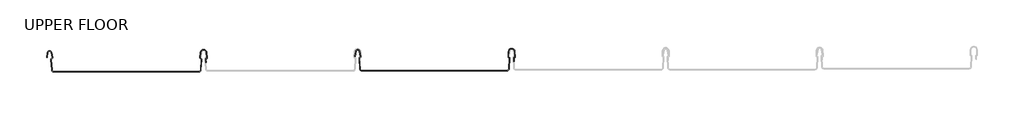
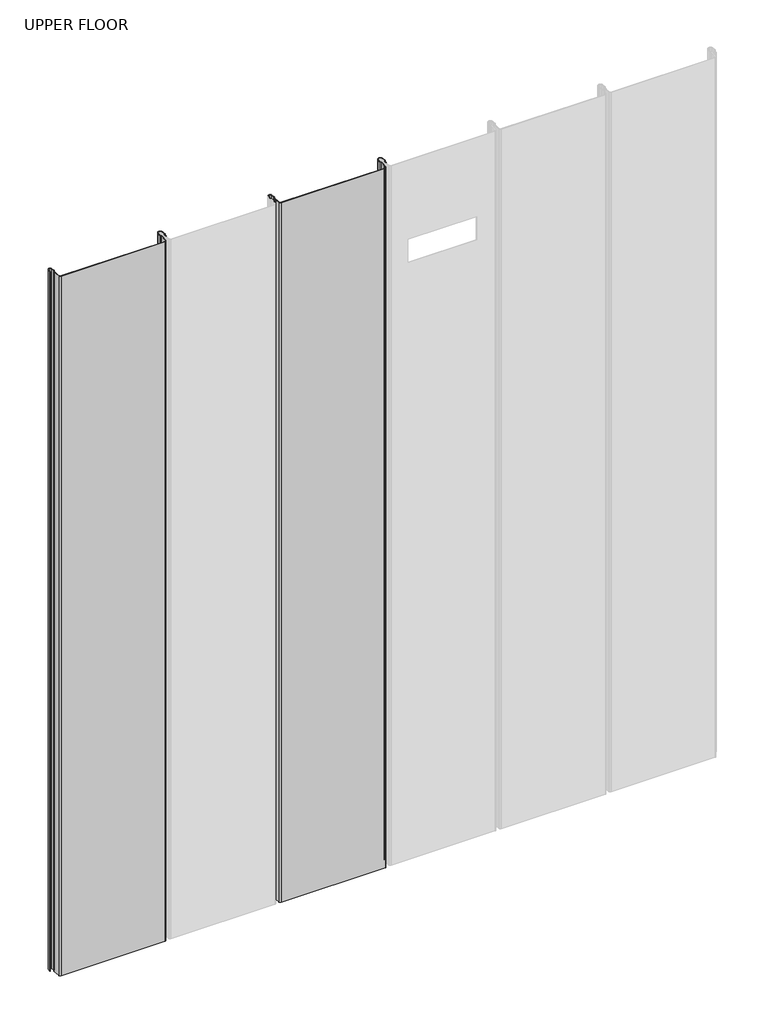
# One storey, part 1 of 3: 2 beams.
"""IFC4 building model written with IfcOpenShell, lengths in millimetres."""

from ifc_helpers import new_model, si_unit, frame, origin, place, context, project, spatial, polyline, circle_curve, element, save
from ifc_brep_helpers import plane_surface, cylinder_surface, revolved_surface, advanced_brep

model = new_model("IFC4")

# Units and contexts
model_context = context("Model", 3, world=origin())
ifc_project = project(units=[si_unit("LENGTHUNIT", "METRE", prefix="MILLI")], contexts=[model_context])

# Site, building, storey
site = spatial("IfcSite", under=ifc_project)
building = spatial("IfcBuilding", under=site)
storey = spatial("IfcBuildingStorey", under=building, Name="UPPER FLOOR", Elevation=2700.0)

# Beams
placement = place(None, origin())
element("IfcBeam", 1, at=placement, inside=storey, context=model_context, shape_type="AdvancedBrep", body=[
    advanced_brep(
    [(6197.7002911, 566.8410255, -2290.7143486), (6202.2343164, 570.6166043, -2290.7143486), (6206.7411309, 566.9772804, -2290.7143486), (6209.1881304, 555.6183435, -2290.7143486), (6207.529471, 553.1639441, -2290.7143486), (6206.3603062, 551.4529039, -2290.7143486), (6207.8508278, 528.0432129, -2290.7143486), (6211.5452795, 524.5783205, -2290.7143486), (6531.7942323, 524.5783205, -2290.7143486), (6535.4870097, 528.0472462, -2290.7143486), (6536.9565129, 551.5312459, -2290.7143486), (6536.3285853, 552.4646638, -2290.7143486), (6534.1169474, 555.5304554, -2290.7143486), (6535.0004862, 566.7069584, -2290.7143486), (6542.2301381, 573.3876384, -2290.7143486), (6549.4597901, 566.7069584, -2290.7143486), (6550.3433289, 555.5304554, -2290.7143486), (6548.131691, 552.4646638, -2290.7143486), (6547.5037634, 551.5312459, -2290.7143486), (6547.8954778, 545.2712922, -2290.7143486), (6546.8935219, 545.2712922, -2290.7143486), (6546.4861131, 551.7820555, -2290.7143486), (6547.8915291, 553.4355176, -2290.7143486), (6549.3459497, 555.451648, -2290.7143486), (6548.4562593, 566.7059678, -2290.7143486), (6542.2301381, 572.3876384, -2290.7143486), (6535.9972821, 566.6269616, -2290.7143486), (6535.1096834, 555.3717606, -2290.7143486), (6536.5687472, 553.4355176, -2290.7143486), (6537.9741631, 551.7820555, -2290.7143486), (6536.4850576, 527.9847937, -2290.7143486), (6531.7942323, 523.5783205, -2290.7143486), (6211.5455246, 523.5783205, -2290.7143486), (6206.8528487, 527.9796704, -2290.7143486), (6205.3621142, 551.3927056, -2290.7143486), (6207.265695, 554.129318, -2290.7143486), (6208.2023383, 555.4458683, -2290.7143486), (6205.7866532, 566.6502015, -2290.7143486), (6202.2238075, 569.61759, -2290.7143486), (6198.7498133, 567.0218997, -2290.7143486), (6196.7225624, 555.9139092, -2290.7143486), (6195.7227025, 556.0979639, -2290.7143486), (6549.3459497, 555.451648, -10.7143486), (6548.4562593, 566.7059678, -10.7143486), (6547.8954778, 545.2712922, -10.7143486), (6546.8935219, 545.2712922, -10.7143486), (6196.7225624, 555.9139092, -10.7143486), (6195.7227025, 556.0979639, -10.7143486), (6197.7002911, 566.8410255, -10.7143486), (6198.7498133, 567.0218997, -10.7143486), (6202.2238075, 569.61759, -10.7143486), (6205.7866532, 566.6502015, -10.7143486), (6208.2023383, 555.4458683, -10.7143486), (6207.265695, 554.129318, -10.7143486), (6205.3621142, 551.3927056, -10.7143486), (6206.8528487, 527.9796704, -10.7143486), (6211.5455246, 523.5783205, -10.7143486), (6531.7942323, 523.5783205, -10.7143486), (6536.4850576, 527.9847937, -10.7143486), (6537.9741631, 551.7820555, -10.7143486), (6536.5687472, 553.4355176, -10.7143486), (6535.1096834, 555.3717606, -10.7143486), (6535.9972821, 566.6269616, -10.7143486), (6542.2301381, 572.3876384, -10.7143486), (6547.8915291, 553.4355176, -10.7143486), (6546.4861131, 551.7820555, -10.7143486), (6547.5037634, 551.5312459, -10.7143486), (6548.131691, 552.4646638, -10.7143486), (6550.3367402, 555.6138004, -10.7143486), (6549.4597901, 566.7069584, -10.7143486), (6542.2301381, 573.3876384, -10.7143486), (6535.0004862, 566.7069584, -10.7143486), (6534.1169474, 555.5304554, -10.7143486), (6536.3285853, 552.4646638, -10.7143486), (6536.9565129, 551.5312459, -10.7143486), (6535.4870097, 528.0472462, -10.7143486), (6531.7942323, 524.5783205, -10.7143486), (6211.5452795, 524.5783205, -10.7143486), (6207.8508278, 528.0432129, -10.7143486), (6206.3603062, 551.4529039, -10.7143486), (6207.529471, 553.1639441, -10.7143486), (6209.1881304, 555.6183435, -10.7143486), (6206.7411309, 566.9772804, -10.7143486), (6202.2343164, 570.6166043, -10.7143486)],
    [
        (0, 1, circle_curve(frame((6202.2343164, 566.0063997, -2290.7143486), z_axis=(0.0, 0.0, -1.0), x_axis=(-1.0000000000000002, 0.0, 0.0)), 4.6102046)),
        (1, 2, circle_curve(frame((6202.2343164, 566.0063997, -2290.7143486), z_axis=(0.0, 0.0, -1.0), x_axis=(-0.21059384440200676, 0.9775736456656264, 0.0)), 4.6102046)),
        (2, 3),
        (3, 4, circle_curve(frame((6206.803938, 555.441905, -2290.7143486), z_axis=(0.0, 0.0, -1.0), x_axis=(0.9528378408797891, 0.30347989881957954, 0.0)), 2.3907121)),
        (4, 5, circle_curve(frame((6208.0403687, 551.5598754, -2290.7143486), z_axis=(0.0, 0.0, 1.0), x_axis=(-0.06354246328301918, 0.9979791357337721, 0.0)), 1.6834645)),
        (5, 6),
        (6, 7, circle_curve(frame((6211.5433506, 528.27832, -2290.7143486), z_axis=(0.0, 0.0, 1.0), x_axis=(-0.9999998641088235, -0.0005213274739309239, 0.0)), 3.7)),
        (7, 8),
        (8, 9, circle_curve(frame((6531.7942323, 528.2783205, -2290.7143486), z_axis=(0.0, 0.0, 1.0), x_axis=(-0.06245250868722483, -0.9980479368039756, 0.0)), 3.7)),
        (9, 10),
        (10, 11, circle_curve(frame((6536.034543, 551.5889378, -2290.7143486), z_axis=(0.0, 0.0, 1.0), x_axis=(0.9479881328261022, -0.3183056707331505, 0.0)), 0.9237732)),
        (11, 12, circle_curve(frame((6537.0286076, 555.3002792, -2290.7143486), z_axis=(0.0, 0.0, -1.0), x_axis=(-0.07880737243916829, -0.9968898625471295, 0.0)), 2.9207441)),
        (12, 13),
        (13, 14, circle_curve(frame((6542.2301381, 566.135431, -2290.7143486), z_axis=(0.0, 0.0, -1.0), x_axis=(-1.0000000000000002, 0.0, 0.0)), 7.2522073)),
        (14, 15, circle_curve(frame((6542.2301381, 566.135431, -2290.7143486), z_axis=(0.0, 0.0, -1.0), x_axis=(-0.07880737243912266, 0.9968898625471331, 0.0)), 7.2522073)),
        (15, 16),
        (16, 17, circle_curve(frame((6547.4302471, 555.3023845, -2290.7143486), z_axis=(0.0, 0.0, -1.0), x_axis=(0.9707819351134734, 0.239963402329064, 0.0)), 2.9231288)),
        (17, 18, circle_curve(frame((6548.3326853, 551.6515329, -2290.7143486), z_axis=(0.0, 0.0, 1.0), x_axis=(-0.14360843272178023, 0.9896345881441262, 0.0)), 0.8376041)),
        (18, 19),
        (19, 20, circle_curve(frame((6547.3944999, 545.2712922, -2290.7143486), z_axis=(0.0, 0.0, -1.0), x_axis=(0.0, -1.0000000000000002, 0.0)), 0.5009779)),
        (20, 21),
        (21, 22, circle_curve(frame((6548.3364293, 551.6333382, -2290.7143486), z_axis=(0.0, 0.0, -1.0), x_axis=(-0.9708537722163971, -0.2396725953737565, 0.0)), 1.856283)),
        (22, 23, circle_curve(frame((6547.4311794, 555.3002792, -2290.7143486), z_axis=(0.0, 0.0, 1.0), x_axis=(0.07880737243914217, -0.9968898625471315, 0.0)), 1.9207441)),
        (23, 24),
        (24, 25, circle_curve(frame((6542.3071876, 566.2198638, -2290.7143486), z_axis=(0.0, 0.0, 1.0), x_axis=(0.999921980842138, 0.012491286112137758, 0.0)), 6.1682558)),
        (25, 26, circle_curve(frame((6542.3093125, 566.0497671, -2290.7143486), z_axis=(0.0, 0.0, 1.0), x_axis=(0.09106361391822018, 0.9958450774192509, 0.0)), 6.3383658)),
        (26, 27),
        (27, 28, circle_curve(frame((6536.9331281, 555.2279616, -2290.7143486), z_axis=(0.0, 0.0, 1.0), x_axis=(-0.9799562955839812, 0.19921259685401757, 0.0)), 1.8291061)),
        (28, 29, circle_curve(frame((6536.2187929, 551.7140407, -2290.7143486), z_axis=(0.0, 0.0, -1.0), x_axis=(-0.03871763325448475, 0.9992501913310659, 0.0)), 1.7566874)),
        (29, 30),
        (30, 31, circle_curve(frame((6531.7942323, 528.2783205, -2290.7143486), z_axis=(0.0, 0.0, -1.0), x_axis=(1.0000000000000002, 0.0, 0.0)), 4.7)),
        (31, 32),
        (32, 33, circle_curve(frame((6211.5455246, 528.2806379, -2290.7143486), z_axis=(0.0, 0.0, -1.0), x_axis=(0.0640040759428298, -0.9979496371374184, 0.0)), 4.7023174)),
        (33, 34),
        (34, 35, circle_curve(frame((6208.036226, 551.5629693, -2290.7143486), z_axis=(0.0, 0.0, -1.0), x_axis=(-0.9577619201002142, -0.2875623487279782, 0.0)), 2.6795268)),
        (35, 36, circle_curve(frame((6207.1328522, 555.2152841, -2290.7143486), z_axis=(0.0, 0.0, 1.0), x_axis=(0.21075985505235648, -0.9775378680635908, 0.0)), 1.094061)),
        (36, 37),
        (37, 38, circle_curve(frame((6202.2238075, 565.995, -2290.7143486), z_axis=(0.0, 0.0, 1.0), x_axis=(1.0000000000000002, 0.0, 0.0)), 3.6225901)),
        (38, 39, circle_curve(frame((6202.2238075, 565.995, -2290.7143486), z_axis=(0.0, 0.0, 1.0), x_axis=(0.2834711363957499, 0.9589807687490415, 0.0)), 3.6225901)),
        (39, 40),
        (40, 41, circle_curve(frame((6196.2226325, 556.0059365, -2290.7143486), z_axis=(0.0, 0.0, -1.0), x_axis=(-0.18103878268247514, -0.9834759575937013, 0.0)), 0.5083296)),
        (41, 0),
        (42, 43),
        (43, 24),
        (23, 42),
        (44, 45, circle_curve(frame((6547.3944999, 545.2712922, -10.7143486), z_axis=(0.0, 0.0, -1.0), x_axis=(0.0, -1.0000000000000002, 0.0)), 0.5009779)),
        (45, 20),
        (19, 44),
        (46, 47, circle_curve(frame((6196.2226325, 556.0059365, -10.7143486), z_axis=(0.0, 0.0, -1.0), x_axis=(-0.18103878268247514, -0.9834759575937013, 0.0)), 0.5083296)),
        (47, 41),
        (40, 46),
        (48, 47),
        (46, 49),
        (49, 50, circle_curve(frame((6202.2238075, 565.995, -10.7143486), z_axis=(0.0, 0.0, -1.0), x_axis=(0.2834711363957499, 0.9589807687490415, 0.0)), 3.6225901)),
        (50, 51, circle_curve(frame((6202.2238075, 565.995, -10.7143486), z_axis=(0.0, 0.0, -1.0), x_axis=(1.0000000000000002, 0.0, 0.0)), 3.6225901)),
        (51, 52),
        (52, 53, circle_curve(frame((6207.1328522, 555.2152841, -10.7143486), z_axis=(0.0, 0.0, -1.0), x_axis=(0.21075985505235648, -0.9775378680635908, 0.0)), 1.094061)),
        (53, 54, circle_curve(frame((6208.036226, 551.5629693, -10.7143486), z_axis=(0.0, 0.0, 1.0), x_axis=(-0.9577619201002142, -0.2875623487279782, 0.0)), 2.6795268)),
        (54, 55),
        (55, 56, circle_curve(frame((6211.5455246, 528.2806379, -10.7143486), z_axis=(0.0, 0.0, 1.0), x_axis=(0.0640040759428298, -0.9979496371374184, 0.0)), 4.7023174)),
        (56, 57),
        (57, 58, circle_curve(frame((6531.7942323, 528.2783205, -10.7143486), z_axis=(0.0, 0.0, 1.0), x_axis=(1.0000000000000002, 0.0, 0.0)), 4.7)),
        (58, 59),
        (59, 60, circle_curve(frame((6536.2187929, 551.7140407, -10.7143486), z_axis=(0.0, 0.0, 1.0), x_axis=(-0.03871763325448475, 0.9992501913310659, 0.0)), 1.7566874)),
        (60, 61, circle_curve(frame((6536.9331281, 555.2279616, -10.7143486), z_axis=(0.0, 0.0, -1.0), x_axis=(-0.9799562955839812, 0.19921259685401757, 0.0)), 1.8291061)),
        (61, 62),
        (62, 63, circle_curve(frame((6542.3093125, 566.0497671, -10.7143486), z_axis=(0.0, 0.0, -1.0), x_axis=(0.09106361391822018, 0.9958450774192509, 0.0)), 6.3383658)),
        (63, 43, circle_curve(frame((6542.3071876, 566.2198638, -10.7143486), z_axis=(0.0, 0.0, -1.0), x_axis=(0.999921980842138, 0.012491286112137758, 0.0)), 6.1682558)),
        (42, 64, circle_curve(frame((6547.4311794, 555.3002792, -10.7143486), z_axis=(0.0, 0.0, -1.0), x_axis=(0.07880737243914217, -0.9968898625471315, 0.0)), 1.9207441)),
        (64, 65, circle_curve(frame((6548.3364293, 551.6333382, -10.7143486), z_axis=(0.0, 0.0, 1.0), x_axis=(-0.9708537722163971, -0.2396725953737565, 0.0)), 1.856283)),
        (65, 45),
        (44, 66),
        (66, 67, circle_curve(frame((6548.3326853, 551.6515329, -10.7143486), z_axis=(0.0, 0.0, -1.0), x_axis=(-0.14360843272178023, 0.9896345881441262, 0.0)), 0.8376041)),
        (67, 68, circle_curve(frame((6547.4302471, 555.3023845, -10.7143486), z_axis=(0.0, 0.0, 1.0), x_axis=(0.9707819351134734, 0.239963402329064, 0.0)), 2.9231288)),
        (68, 69),
        (69, 70, circle_curve(frame((6542.2301381, 566.135431, -10.7143486), z_axis=(0.0, 0.0, 1.0), x_axis=(-0.07880737243912266, 0.9968898625471331, 0.0)), 7.2522073)),
        (70, 71, circle_curve(frame((6542.2301381, 566.135431, -10.7143486), z_axis=(0.0, 0.0, 1.0), x_axis=(-1.0000000000000002, 0.0, 0.0)), 7.2522073)),
        (71, 72),
        (72, 73, circle_curve(frame((6537.0286076, 555.3002792, -10.7143486), z_axis=(0.0, 0.0, 1.0), x_axis=(-0.07880737243916829, -0.9968898625471295, 0.0)), 2.9207441)),
        (73, 74, circle_curve(frame((6536.034543, 551.5889378, -10.7143486), z_axis=(0.0, 0.0, -1.0), x_axis=(0.9479881328261022, -0.3183056707331505, 0.0)), 0.9237732)),
        (74, 75),
        (75, 76, circle_curve(frame((6531.7942323, 528.2783205, -10.7143486), z_axis=(0.0, 0.0, -1.0), x_axis=(-0.06245250868722483, -0.9980479368039756, 0.0)), 3.7)),
        (76, 77),
        (77, 78, circle_curve(frame((6211.5433506, 528.27832, -10.7143486), z_axis=(0.0, 0.0, -1.0), x_axis=(-0.9999998641088235, -0.0005213274739309239, 0.0)), 3.7)),
        (78, 79),
        (79, 80, circle_curve(frame((6208.0403687, 551.5598754, -10.7143486), z_axis=(0.0, 0.0, -1.0), x_axis=(-0.06354246328301918, 0.9979791357337721, 0.0)), 1.6834645)),
        (80, 81, circle_curve(frame((6206.803938, 555.441905, -10.7143486), z_axis=(0.0, 0.0, 1.0), x_axis=(0.9528378408797891, 0.30347989881957954, 0.0)), 2.3907121)),
        (81, 82),
        (82, 83, circle_curve(frame((6202.2343164, 566.0063997, -10.7143486), z_axis=(0.0, 0.0, 1.0), x_axis=(-0.21059384440200676, 0.9775736456656264, 0.0)), 4.6102046)),
        (83, 48, circle_curve(frame((6202.2343164, 566.0063997, -10.7143486), z_axis=(0.0, 0.0, 1.0), x_axis=(-1.0000000000000002, 0.0, 0.0)), 4.6102046)),
        (48, 0),
        (39, 49),
        (38, 50),
        (37, 51),
        (36, 52),
        (35, 53),
        (34, 54),
        (33, 55),
        (32, 56),
        (31, 57),
        (30, 58),
        (29, 59),
        (28, 60),
        (27, 61),
        (26, 62),
        (25, 63),
        (22, 64),
        (21, 65),
        (18, 66),
        (17, 67),
        (16, 68),
        (15, 69),
        (14, 70),
        (13, 71),
        (12, 72),
        (11, 73),
        (10, 74),
        (9, 75),
        (8, 76),
        (7, 77),
        (6, 78),
        (5, 79),
        (4, 80),
        (3, 81),
        (2, 82),
        (1, 83),
    ],
    [
        plane_surface(frame((6195.7227025, 556.0979639, -2290.7143486), z_axis=(0.0, 0.0, -1.0), x_axis=(0.18103878268248982, 0.9834759575936985, 0.0))),
        plane_surface(frame((6548.9011045, 561.0788079, -2290.7143486), z_axis=(-0.9968898625470922, -0.07880737243963654, 0.0), x_axis=(0.07880737243963654, -0.9968898625470922, 0.0))),
        cylinder_surface(frame((6547.3944999, 545.2712922, -2290.7143486), z_axis=(0.0, 0.0, 1.0000000000000002), x_axis=(0.0, -1.0000000000000002, 0.0)), 0.5009779),
        cylinder_surface(frame((6196.2226325, 556.0059365, -2290.7143486), z_axis=(0.0, 0.0, 1.0000000000000002), x_axis=(-0.18103878268247514, -0.9834759575937013, 0.0)), 0.5083296),
        plane_surface(frame((6195.7227025, 556.0979639, -10.7143486), z_axis=(0.0, 0.0, 1.0), x_axis=(-0.18103878268248982, -0.9834759575936985, 0.0))),
        plane_surface(frame((6196.7114968, 561.4694947, -2290.7143486), z_axis=(-0.9834759575937928, 0.18103878268197757, 0.0), x_axis=(-0.18103878268197757, -0.9834759575937928, 0.0))),
        plane_surface(frame((6197.7361879, 561.4679044, -2290.7143486), z_axis=(0.9837509798366513, -0.1795383236816822, 0.0), x_axis=(0.1795383236816822, 0.9837509798366513, 0.0))),
        revolved_surface(polyline([(6203.250707232342, 569.4689942389607, -10.714348599999084), (6203.250707232342, 569.4689942389607, -2290.7143486)]), (6202.2238075, 565.995, -2290.7143486), (0.0, 0.0, 1.0000000000000002)),
        revolved_surface(polyline([(6205.846397599999, 565.995, -10.714348599999084), (6205.846397599999, 565.995, -2290.7143486)]), (6202.2238075, 565.995, -2290.7143486), (0.0, 0.0, 1.0000000000000002)),
        plane_surface(frame((6206.9944957, 561.0480349, -2290.7143486), z_axis=(-0.9775378680634894, -0.21075985505282563, 0.0), x_axis=(0.21075985505282563, -0.9775378680634894, 0.0))),
        revolved_surface(polyline([(6207.363436337779, 554.1457980425284, -10.714348599999084), (6207.363436337779, 554.1457980425284, -2290.7143486)]), (6207.1328522, 555.2152841, -2290.7143486), (0.0, 0.0, 1.0000000000000002)),
        cylinder_surface(frame((6208.036226, 551.5629693, -2290.7143486), z_axis=(0.0, 0.0, 1.0000000000000002), x_axis=(-0.9577619201002142, -0.2875623487279782, 0.0)), 2.6795268),
        plane_surface(frame((6206.1074814, 539.686188, -2290.7143486), z_axis=(-0.9979791357337515, -0.06354246328333876, 0.0), x_axis=(0.06354246328333876, -0.9979791357337515, 0.0))),
        cylinder_surface(frame((6211.5455246, 528.2806379, -2290.7143486), z_axis=(0.0, 0.0, 1.0000000000000002), x_axis=(0.0640040759428298, -0.9979496371374184, 0.0)), 4.7023174),
        plane_surface(frame((6371.6698785, 523.5783205, -2290.7143486), z_axis=(0.0, -1.0, 0.0), x_axis=(1.0, 0.0, 0.0))),
        cylinder_surface(frame((6531.7942323, 528.2783205, -2290.7143486), z_axis=(0.0, 0.0, 1.0000000000000002), x_axis=(1.0000000000000002, 0.0, 0.0)), 4.7),
        plane_surface(frame((6537.2296104, 539.8834246, -2290.7143486), z_axis=(0.9980479368039599, -0.06245250868747559, 0.0), x_axis=(0.06245250868747559, 0.9980479368039599, 0.0))),
        cylinder_surface(frame((6536.2187929, 551.7140407, -2290.7143486), z_axis=(0.0, 0.0, 1.0000000000000002), x_axis=(-0.03871763325448475, 0.9992501913310659, 0.0)), 1.7566874),
        revolved_surface(polyline([(6535.140684062015, 555.5923425761025, -10.714348599999084), (6535.140684062015, 555.5923425761025, -2290.7143486)]), (6536.9331281, 555.2279616, -2290.7143486), (0.0, 0.0, 1.0000000000000002)),
        plane_surface(frame((6535.5534827, 560.9993611, -2290.7143486), z_axis=(0.9969048840807633, -0.0786171234268975, 0.0), x_axis=(0.0786171234268975, 0.9969048840807633, 0.0))),
        revolved_surface(polyline([(6542.886506996083, 572.3617974808126, -10.714348599999084), (6542.886506996083, 572.3617974808126, -2290.7143486)]), (6542.3093125, 566.0497671, -2290.7143486), (0.0, 0.0, 1.0000000000000002)),
        revolved_surface(polyline([(6548.474962157878, 566.2969132480106, -10.714348599999084), (6548.474962157878, 566.2969132480106, -2290.7143486)]), (6542.3071876, 566.2198638, -2290.7143486), (0.0, 0.0, 1.0000000000000002)),
        revolved_surface(polyline([(6547.582548195649, 553.3855088781628, -10.714348599999084), (6547.582548195649, 553.3855088781628, -2290.7143486)]), (6547.4311794, 555.3002792, -2290.7143486), (0.0, 0.0, 1.0000000000000002)),
        cylinder_surface(frame((6548.3364293, 551.6333382, -2290.7143486), z_axis=(0.0, 0.0, 1.0000000000000002), x_axis=(-0.9708537722163971, -0.2396725953737565, 0.0)), 1.856283),
        plane_surface(frame((6546.6898175, 548.5266738, -2290.7143486), z_axis=(-0.9980479368039223, -0.06245250868807291, 0.0), x_axis=(0.06245250868807291, -0.9980479368039223, 0.0))),
        plane_surface(frame((6547.6996206, 548.401269, -2290.7143486), z_axis=(0.9980479368040359, 0.06245250868625923, 0.0), x_axis=(-0.06245250868625923, 0.9980479368040359, 0.0))),
        revolved_surface(polyline([(6548.2123982879575, 552.4804548885313, -10.714348599999084), (6548.2123982879575, 552.4804548885313, -2290.7143486)]), (6548.3326853, 551.6515329, -2290.7143486), (0.0, 0.0, 1.0000000000000002)),
        cylinder_surface(frame((6547.4302471, 555.3023845, -2290.7143486), z_axis=(0.0, 0.0, 1.0000000000000002), x_axis=(0.9707819351134734, 0.239963402329064, 0.0)), 2.9231288),
        plane_surface(frame((6549.9015595, 561.1187069, -2290.7143486), z_axis=(0.9968898625471736, 0.07880737243860805, 0.0), x_axis=(-0.07880737243860805, 0.9968898625471736, 0.0))),
        cylinder_surface(frame((6542.2301381, 566.135431, -2290.7143486), z_axis=(0.0, 0.0, 1.0000000000000002), x_axis=(-0.07880737243912266, 0.9968898625471331, 0.0)), 7.2522073),
        cylinder_surface(frame((6542.2301381, 566.135431, -2290.7143486), z_axis=(0.0, 0.0, 1.0000000000000002), x_axis=(-1.0000000000000002, 0.0, 0.0)), 7.2522073),
        plane_surface(frame((6534.5587168, 561.1187069, -2290.7143486), z_axis=(-0.996889862547171, 0.07880737243863997, 0.0), x_axis=(-0.07880737243863997, -0.996889862547171, 0.0))),
        cylinder_surface(frame((6537.0286076, 555.3002792, -2290.7143486), z_axis=(0.0, 0.0, 1.0000000000000002), x_axis=(-0.07880737243916829, -0.9968898625471295, 0.0)), 2.9207441),
        revolved_surface(polyline([(6536.910269031023, 551.2948955519687, -10.714348599999084), (6536.910269031023, 551.2948955519687, -2290.7143486)]), (6536.034543, 551.5889378, -2290.7143486), (0.0, 0.0, 1.0000000000000002)),
        plane_surface(frame((6536.2217613, 539.789246, -2290.7143486), z_axis=(-0.9980479368039905, 0.06245250868698511, 0.0), x_axis=(-0.06245250868698511, -0.9980479368039905, 0.0))),
        revolved_surface(polyline([(6531.563158017857, 524.5855431338252, -10.714348599999084), (6531.563158017857, 524.5855431338252, -2290.7143486)]), (6531.7942323, 528.2783205, -2290.7143486), (0.0, 0.0, 1.0000000000000002)),
        plane_surface(frame((6371.6697559, 524.5783205, -2290.7143486), z_axis=(0.0, 1.0, 0.0), x_axis=(-1.0, 0.0, 0.0))),
        revolved_surface(polyline([(6207.843351102797, 528.2763910883465, -10.714348599999084), (6207.843351102797, 528.2763910883465, -2290.7143486)]), (6211.5433506, 528.27832, -2290.7143486), (0.0, 0.0, 1.0000000000000002)),
        plane_surface(frame((6207.105567, 539.7480584, -2290.7143486), z_axis=(0.9979791357337829, 0.06354246328284437, 0.0), x_axis=(-0.06354246328284437, 0.9979791357337829, 0.0))),
        revolved_surface(polyline([(6207.933397218821, 553.2399378467485, -10.714348599999084), (6207.933397218821, 553.2399378467485, -2290.7143486)]), (6208.0403687, 551.5598754, -2290.7143486), (0.0, 0.0, 1.0000000000000002)),
        cylinder_surface(frame((6206.803938, 555.441905, -2290.7143486), z_axis=(0.0, 0.0, 1.0000000000000002), x_axis=(0.9528378408797891, 0.30347989881957954, 0.0)), 2.3907121),
        plane_surface(frame((6207.9646307, 561.2978119, -2290.7143486), z_axis=(0.9775736456657299, 0.21059384440152557, 0.0), x_axis=(-0.21059384440152557, 0.9775736456657299, 0.0))),
        cylinder_surface(frame((6202.2343164, 566.0063997, -2290.7143486), z_axis=(0.0, 0.0, 1.0000000000000002), x_axis=(-0.21059384440200676, 0.9775736456656264, 0.0)), 4.6102046),
        cylinder_surface(frame((6202.2343164, 566.0063997, -2290.7143486), z_axis=(0.0, 0.0, 1.0000000000000002), x_axis=(-1.0000000000000002, 0.0, 0.0)), 4.6102046),
    ],
    [
        (0, [[1, 2, 3, 4, 5, 6, 7, 8, 9, 10, 11, 12, 13, 14, 15, 16, 17, 18, 19, 20, 21, 22, 23, 24, 25, 26, 27, 28, 29, 30, 31, 32, 33, 34, 35, 36, 37, 38, 39, 40, 41, 42]]),
        (1, [[43, 44, -24, 45]]),
        (2, [[46, 47, -20, 48]]),
        (3, [[49, 50, -41, 51]]),
        (4, [[52, -49, 53, 54, 55, 56, 57, 58, 59, 60, 61, 62, 63, 64, 65, 66, 67, 68, -43, 69, 70, 71, -46, 72, 73, 74, 75, 76, 77, 78, 79, 80, 81, 82, 83, 84, 85, 86, 87, 88, 89, 90]]),
        (5, [[-52, 91, -42, -50]]),
        (6, [[-53, -51, -40, 92]]),
        (7, [[-54, -92, -39, 93]]),
        (8, [[-55, -93, -38, 94]]),
        (9, [[-56, -94, -37, 95]]),
        (10, [[-57, -95, -36, 96]]),
        (11, [[-58, -96, -35, 97]]),
        (12, [[-59, -97, -34, 98]]),
        (13, [[-60, -98, -33, 99]]),
        (14, [[-61, -99, -32, 100]]),
        (15, [[-62, -100, -31, 101]]),
        (16, [[-63, -101, -30, 102]]),
        (17, [[-64, -102, -29, 103]]),
        (18, [[-65, -103, -28, 104]]),
        (19, [[-66, -104, -27, 105]]),
        (20, [[-67, -105, -26, 106]]),
        (21, [[-68, -106, -25, -44]]),
        (22, [[-69, -45, -23, 107]]),
        (23, [[-70, -107, -22, 108]]),
        (24, [[-71, -108, -21, -47]]),
        (25, [[-72, -48, -19, 109]]),
        (26, [[-73, -109, -18, 110]]),
        (27, [[-74, -110, -17, 111]]),
        (28, [[-75, -111, -16, 112]]),
        (29, [[-76, -112, -15, 113]]),
        (30, [[-77, -113, -14, 114]]),
        (31, [[-78, -114, -13, 115]]),
        (32, [[-79, -115, -12, 116]]),
        (33, [[-80, -116, -11, 117]]),
        (34, [[-81, -117, -10, 118]]),
        (35, [[-82, -118, -9, 119]]),
        (36, [[-83, -119, -8, 120]]),
        (37, [[-84, -120, -7, 121]]),
        (38, [[-85, -121, -6, 122]]),
        (39, [[-86, -122, -5, 123]]),
        (40, [[-87, -123, -4, 124]]),
        (41, [[-88, -124, -3, 125]]),
        (42, [[-89, -125, -2, 126]]),
        (43, [[-90, -126, -1, -91]]),
    ],
),
])
element("IfcBeam", 2, at=placement, inside=storey, context=model_context, shape_type="AdvancedBrep", body=[
    advanced_brep(
    [(5517.7818205, 564.3410255, -2290.7143486), (5522.3158459, 568.1166043, -2290.7143486), (5526.8226604, 564.4772804, -2290.7143486), (5529.2696599, 553.1183435, -2290.7143486), (5527.6110005, 550.6639441, -2290.7143486), (5526.4418357, 548.9529039, -2290.7143486), (5527.9323573, 525.5432129, -2290.7143486), (5531.626809, 522.0783205, -2290.7143486), (5851.8757618, 522.0783205, -2290.7143486), (5855.5685391, 525.5472462, -2290.7143486), (5857.0380424, 549.0312459, -2290.7143486), (5856.4101147, 549.9646638, -2290.7143486), (5854.1984769, 553.0304554, -2290.7143486), (5855.0820156, 564.2069584, -2290.7143486), (5862.3116676, 570.8876384, -2290.7143486), (5869.5413196, 564.2069584, -2290.7143486), (5870.4248584, 553.0304554, -2290.7143486), (5868.2132205, 549.9646638, -2290.7143486), (5867.5852928, 549.0312459, -2290.7143486), (5867.9770073, 542.7712922, -2290.7143486), (5866.9750514, 542.7712922, -2290.7143486), (5866.5676426, 549.2820555, -2290.7143486), (5867.9730586, 550.9355176, -2290.7143486), (5869.4274792, 552.951648, -2290.7143486), (5868.5377887, 564.2059678, -2290.7143486), (5862.3116676, 569.8876384, -2290.7143486), (5856.0788116, 564.1269616, -2290.7143486), (5855.1912128, 552.8717606, -2290.7143486), (5856.6502766, 550.9355176, -2290.7143486), (5858.0556926, 549.2820555, -2290.7143486), (5856.5665871, 525.4847937, -2290.7143486), (5851.8757618, 521.0783205, -2290.7143486), (5531.6270541, 521.0783205, -2290.7143486), (5526.9343781, 525.4796704, -2290.7143486), (5525.4436436, 548.8927056, -2290.7143486), (5527.3472244, 551.629318, -2290.7143486), (5528.2838677, 552.9458683, -2290.7143486), (5525.8681827, 564.1502015, -2290.7143486), (5522.3053369, 567.11759, -2290.7143486), (5518.8313427, 564.5218997, -2290.7143486), (5516.8040919, 553.4139092, -2290.7143486), (5515.804232, 553.5979639, -2290.7143486), (5869.4274792, 552.951648, -10.7143486), (5868.5377887, 564.2059678, -10.7143486), (5867.9770073, 542.7712922, -10.7143486), (5866.9750514, 542.7712922, -10.7143486), (5516.8040919, 553.4139092, -10.7143486), (5515.804232, 553.5979639, -10.7143486), (5517.7818205, 564.3410255, -10.7143486), (5518.8313427, 564.5218997, -10.7143486), (5522.3053369, 567.11759, -10.7143486), (5525.8681827, 564.1502015, -10.7143486), (5528.2838677, 552.9458683, -10.7143486), (5527.3472244, 551.629318, -10.7143486), (5525.4436436, 548.8927056, -10.7143486), (5526.9343781, 525.4796704, -10.7143486), (5531.6270541, 521.0783205, -10.7143486), (5851.8757618, 521.0783205, -10.7143486), (5856.5665871, 525.4847937, -10.7143486), (5858.0556926, 549.2820555, -10.7143486), (5856.6502766, 550.9355176, -10.7143486), (5855.1912128, 552.8717606, -10.7143486), (5856.0788116, 564.1269616, -10.7143486), (5862.3116676, 569.8876384, -10.7143486), (5867.9730586, 550.9355176, -10.7143486), (5866.5676426, 549.2820555, -10.7143486), (5867.5852928, 549.0312459, -10.7143486), (5868.2132205, 549.9646638, -10.7143486), (5870.4182697, 553.1138004, -10.7143486), (5869.5413196, 564.2069584, -10.7143486), (5862.3116676, 570.8876384, -10.7143486), (5855.0820156, 564.2069584, -10.7143486), (5854.1984769, 553.0304554, -10.7143486), (5856.4101147, 549.9646638, -10.7143486), (5857.0380424, 549.0312459, -10.7143486), (5855.5685391, 525.5472462, -10.7143486), (5851.8757618, 522.0783205, -10.7143486), (5531.626809, 522.0783205, -10.7143486), (5527.9323573, 525.5432129, -10.7143486), (5526.4418357, 548.9529039, -10.7143486), (5527.6110005, 550.6639441, -10.7143486), (5529.2696599, 553.1183435, -10.7143486), (5526.8226604, 564.4772804, -10.7143486), (5522.3158459, 568.1166043, -10.7143486)],
    [
        (0, 1, circle_curve(frame((5522.3158459, 563.5063997, -2290.7143486), z_axis=(0.0, 0.0, -1.0), x_axis=(-1.0000000000000002, 0.0, 0.0)), 4.6102046)),
        (1, 2, circle_curve(frame((5522.3158459, 563.5063997, -2290.7143486), z_axis=(0.0, 0.0, -1.0), x_axis=(-0.21059384440200676, 0.9775736456656264, 0.0)), 4.6102046)),
        (2, 3),
        (3, 4, circle_curve(frame((5526.8854674, 552.941905, -2290.7143486), z_axis=(0.0, 0.0, -1.0), x_axis=(0.9528378408797891, 0.30347989881957954, 0.0)), 2.3907121)),
        (4, 5, circle_curve(frame((5528.1218981, 549.0598754, -2290.7143486), z_axis=(0.0, 0.0, 1.0), x_axis=(-0.06354246328301918, 0.9979791357337721, 0.0)), 1.6834645)),
        (5, 6),
        (6, 7, circle_curve(frame((5531.6248801, 525.77832, -2290.7143486), z_axis=(0.0, 0.0, 1.0), x_axis=(-0.9999998641088235, -0.0005213274739309239, 0.0)), 3.7)),
        (7, 8),
        (8, 9, circle_curve(frame((5851.8757618, 525.7783205, -2290.7143486), z_axis=(0.0, 0.0, 1.0), x_axis=(-0.06245250868722483, -0.9980479368039756, 0.0)), 3.7)),
        (9, 10),
        (10, 11, circle_curve(frame((5856.1160725, 549.0889378, -2290.7143486), z_axis=(0.0, 0.0, 1.0), x_axis=(0.9479881328261022, -0.3183056707331505, 0.0)), 0.9237732)),
        (11, 12, circle_curve(frame((5857.110137, 552.8002792, -2290.7143486), z_axis=(0.0, 0.0, -1.0), x_axis=(-0.07880737243916829, -0.9968898625471295, 0.0)), 2.9207441)),
        (12, 13),
        (13, 14, circle_curve(frame((5862.3116676, 563.635431, -2290.7143486), z_axis=(0.0, 0.0, -1.0), x_axis=(-1.0000000000000002, 0.0, 0.0)), 7.2522073)),
        (14, 15, circle_curve(frame((5862.3116676, 563.635431, -2290.7143486), z_axis=(0.0, 0.0, -1.0), x_axis=(-0.07880737243912266, 0.9968898625471331, 0.0)), 7.2522073)),
        (15, 16),
        (16, 17, circle_curve(frame((5867.5117765, 552.8023845, -2290.7143486), z_axis=(0.0, 0.0, -1.0), x_axis=(0.9707819351134734, 0.239963402329064, 0.0)), 2.9231288)),
        (17, 18, circle_curve(frame((5868.4142148, 549.1515329, -2290.7143486), z_axis=(0.0, 0.0, 1.0), x_axis=(-0.14360843272178023, 0.9896345881441262, 0.0)), 0.8376041)),
        (18, 19),
        (19, 20, circle_curve(frame((5867.4760293, 542.7712922, -2290.7143486), z_axis=(0.0, 0.0, -1.0), x_axis=(0.0, -1.0000000000000002, 0.0)), 0.5009779)),
        (20, 21),
        (21, 22, circle_curve(frame((5868.4179587, 549.1333382, -2290.7143486), z_axis=(0.0, 0.0, -1.0), x_axis=(-0.9708537722163971, -0.2396725953737565, 0.0)), 1.856283)),
        (22, 23, circle_curve(frame((5867.5127088, 552.8002792, -2290.7143486), z_axis=(0.0, 0.0, 1.0), x_axis=(0.07880737243914217, -0.9968898625471315, 0.0)), 1.9207441)),
        (23, 24),
        (24, 25, circle_curve(frame((5862.388717, 563.7198638, -2290.7143486), z_axis=(0.0, 0.0, 1.0), x_axis=(0.999921980842138, 0.012491286112137758, 0.0)), 6.1682558)),
        (25, 26, circle_curve(frame((5862.3908419, 563.5497671, -2290.7143486), z_axis=(0.0, 0.0, 1.0), x_axis=(0.09106361391822018, 0.9958450774192509, 0.0)), 6.3383658)),
        (26, 27),
        (27, 28, circle_curve(frame((5857.0146576, 552.7279616, -2290.7143486), z_axis=(0.0, 0.0, 1.0), x_axis=(-0.9799562955839812, 0.19921259685401757, 0.0)), 1.8291061)),
        (28, 29, circle_curve(frame((5856.3003224, 549.2140407, -2290.7143486), z_axis=(0.0, 0.0, -1.0), x_axis=(-0.03871763325448475, 0.9992501913310659, 0.0)), 1.7566874)),
        (29, 30),
        (30, 31, circle_curve(frame((5851.8757618, 525.7783205, -2290.7143486), z_axis=(0.0, 0.0, -1.0), x_axis=(1.0000000000000002, 0.0, 0.0)), 4.7)),
        (31, 32),
        (32, 33, circle_curve(frame((5531.6270541, 525.7806379, -2290.7143486), z_axis=(0.0, 0.0, -1.0), x_axis=(0.0640040759428298, -0.9979496371374184, 0.0)), 4.7023174)),
        (33, 34),
        (34, 35, circle_curve(frame((5528.1177555, 549.0629693, -2290.7143486), z_axis=(0.0, 0.0, -1.0), x_axis=(-0.9577619201002142, -0.2875623487279782, 0.0)), 2.6795268)),
        (35, 36, circle_curve(frame((5527.2143817, 552.7152841, -2290.7143486), z_axis=(0.0, 0.0, 1.0), x_axis=(0.21075985505235648, -0.9775378680635908, 0.0)), 1.094061)),
        (36, 37),
        (37, 38, circle_curve(frame((5522.3053369, 563.495, -2290.7143486), z_axis=(0.0, 0.0, 1.0), x_axis=(1.0000000000000002, 0.0, 0.0)), 3.6225901)),
        (38, 39, circle_curve(frame((5522.3053369, 563.495, -2290.7143486), z_axis=(0.0, 0.0, 1.0), x_axis=(0.2834711363957499, 0.9589807687490415, 0.0)), 3.6225901)),
        (39, 40),
        (40, 41, circle_curve(frame((5516.3041619, 553.5059365, -2290.7143486), z_axis=(0.0, 0.0, -1.0), x_axis=(-0.18103878268247514, -0.9834759575937013, 0.0)), 0.5083296)),
        (41, 0),
        (42, 43),
        (43, 24),
        (23, 42),
        (44, 45, circle_curve(frame((5867.4760293, 542.7712922, -10.7143486), z_axis=(0.0, 0.0, -1.0), x_axis=(0.0, -1.0000000000000002, 0.0)), 0.5009779)),
        (45, 20),
        (19, 44),
        (46, 47, circle_curve(frame((5516.3041619, 553.5059365, -10.7143486), z_axis=(0.0, 0.0, -1.0), x_axis=(-0.18103878268247514, -0.9834759575937013, 0.0)), 0.5083296)),
        (47, 41),
        (40, 46),
        (48, 47),
        (46, 49),
        (49, 50, circle_curve(frame((5522.3053369, 563.495, -10.7143486), z_axis=(0.0, 0.0, -1.0), x_axis=(0.2834711363957499, 0.9589807687490415, 0.0)), 3.6225901)),
        (50, 51, circle_curve(frame((5522.3053369, 563.495, -10.7143486), z_axis=(0.0, 0.0, -1.0), x_axis=(1.0000000000000002, 0.0, 0.0)), 3.6225901)),
        (51, 52),
        (52, 53, circle_curve(frame((5527.2143817, 552.7152841, -10.7143486), z_axis=(0.0, 0.0, -1.0), x_axis=(0.21075985505235648, -0.9775378680635908, 0.0)), 1.094061)),
        (53, 54, circle_curve(frame((5528.1177555, 549.0629693, -10.7143486), z_axis=(0.0, 0.0, 1.0), x_axis=(-0.9577619201002142, -0.2875623487279782, 0.0)), 2.6795268)),
        (54, 55),
        (55, 56, circle_curve(frame((5531.6270541, 525.7806379, -10.7143486), z_axis=(0.0, 0.0, 1.0), x_axis=(0.0640040759428298, -0.9979496371374184, 0.0)), 4.7023174)),
        (56, 57),
        (57, 58, circle_curve(frame((5851.8757618, 525.7783205, -10.7143486), z_axis=(0.0, 0.0, 1.0), x_axis=(1.0000000000000002, 0.0, 0.0)), 4.7)),
        (58, 59),
        (59, 60, circle_curve(frame((5856.3003224, 549.2140407, -10.7143486), z_axis=(0.0, 0.0, 1.0), x_axis=(-0.03871763325448475, 0.9992501913310659, 0.0)), 1.7566874)),
        (60, 61, circle_curve(frame((5857.0146576, 552.7279616, -10.7143486), z_axis=(0.0, 0.0, -1.0), x_axis=(-0.9799562955839812, 0.19921259685401757, 0.0)), 1.8291061)),
        (61, 62),
        (62, 63, circle_curve(frame((5862.3908419, 563.5497671, -10.7143486), z_axis=(0.0, 0.0, -1.0), x_axis=(0.09106361391822018, 0.9958450774192509, 0.0)), 6.3383658)),
        (63, 43, circle_curve(frame((5862.388717, 563.7198638, -10.7143486), z_axis=(0.0, 0.0, -1.0), x_axis=(0.999921980842138, 0.012491286112137758, 0.0)), 6.1682558)),
        (42, 64, circle_curve(frame((5867.5127088, 552.8002792, -10.7143486), z_axis=(0.0, 0.0, -1.0), x_axis=(0.07880737243914217, -0.9968898625471315, 0.0)), 1.9207441)),
        (64, 65, circle_curve(frame((5868.4179587, 549.1333382, -10.7143486), z_axis=(0.0, 0.0, 1.0), x_axis=(-0.9708537722163971, -0.2396725953737565, 0.0)), 1.856283)),
        (65, 45),
        (44, 66),
        (66, 67, circle_curve(frame((5868.4142148, 549.1515329, -10.7143486), z_axis=(0.0, 0.0, -1.0), x_axis=(-0.14360843272178023, 0.9896345881441262, 0.0)), 0.8376041)),
        (67, 68, circle_curve(frame((5867.5117765, 552.8023845, -10.7143486), z_axis=(0.0, 0.0, 1.0), x_axis=(0.9707819351134734, 0.239963402329064, 0.0)), 2.9231288)),
        (68, 69),
        (69, 70, circle_curve(frame((5862.3116676, 563.635431, -10.7143486), z_axis=(0.0, 0.0, 1.0), x_axis=(-0.07880737243912266, 0.9968898625471331, 0.0)), 7.2522073)),
        (70, 71, circle_curve(frame((5862.3116676, 563.635431, -10.7143486), z_axis=(0.0, 0.0, 1.0), x_axis=(-1.0000000000000002, 0.0, 0.0)), 7.2522073)),
        (71, 72),
        (72, 73, circle_curve(frame((5857.110137, 552.8002792, -10.7143486), z_axis=(0.0, 0.0, 1.0), x_axis=(-0.07880737243916829, -0.9968898625471295, 0.0)), 2.9207441)),
        (73, 74, circle_curve(frame((5856.1160725, 549.0889378, -10.7143486), z_axis=(0.0, 0.0, -1.0), x_axis=(0.9479881328261022, -0.3183056707331505, 0.0)), 0.9237732)),
        (74, 75),
        (75, 76, circle_curve(frame((5851.8757618, 525.7783205, -10.7143486), z_axis=(0.0, 0.0, -1.0), x_axis=(-0.06245250868722483, -0.9980479368039756, 0.0)), 3.7)),
        (76, 77),
        (77, 78, circle_curve(frame((5531.6248801, 525.77832, -10.7143486), z_axis=(0.0, 0.0, -1.0), x_axis=(-0.9999998641088235, -0.0005213274739309239, 0.0)), 3.7)),
        (78, 79),
        (79, 80, circle_curve(frame((5528.1218981, 549.0598754, -10.7143486), z_axis=(0.0, 0.0, -1.0), x_axis=(-0.06354246328301918, 0.9979791357337721, 0.0)), 1.6834645)),
        (80, 81, circle_curve(frame((5526.8854674, 552.941905, -10.7143486), z_axis=(0.0, 0.0, 1.0), x_axis=(0.9528378408797891, 0.30347989881957954, 0.0)), 2.3907121)),
        (81, 82),
        (82, 83, circle_curve(frame((5522.3158459, 563.5063997, -10.7143486), z_axis=(0.0, 0.0, 1.0), x_axis=(-0.21059384440200676, 0.9775736456656264, 0.0)), 4.6102046)),
        (83, 48, circle_curve(frame((5522.3158459, 563.5063997, -10.7143486), z_axis=(0.0, 0.0, 1.0), x_axis=(-1.0000000000000002, 0.0, 0.0)), 4.6102046)),
        (48, 0),
        (39, 49),
        (38, 50),
        (37, 51),
        (36, 52),
        (35, 53),
        (34, 54),
        (33, 55),
        (32, 56),
        (31, 57),
        (30, 58),
        (29, 59),
        (28, 60),
        (27, 61),
        (26, 62),
        (25, 63),
        (22, 64),
        (21, 65),
        (18, 66),
        (17, 67),
        (16, 68),
        (15, 69),
        (14, 70),
        (13, 71),
        (12, 72),
        (11, 73),
        (10, 74),
        (9, 75),
        (8, 76),
        (7, 77),
        (6, 78),
        (5, 79),
        (4, 80),
        (3, 81),
        (2, 82),
        (1, 83),
    ],
    [
        plane_surface(frame((5515.804232, 553.5979639, -2290.7143486), z_axis=(0.0, 0.0, -1.0), x_axis=(0.18103878268248982, 0.9834759575936985, 0.0))),
        plane_surface(frame((5868.982634, 558.5788079, -2290.7143486), z_axis=(-0.9968898625470922, -0.07880737243963654, 0.0), x_axis=(0.07880737243963654, -0.9968898625470922, 0.0))),
        cylinder_surface(frame((5867.4760293, 542.7712922, -2290.7143486), z_axis=(0.0, 0.0, 1.0000000000000002), x_axis=(0.0, -1.0000000000000002, 0.0)), 0.5009779),
        cylinder_surface(frame((5516.3041619, 553.5059365, -2290.7143486), z_axis=(0.0, 0.0, 1.0000000000000002), x_axis=(-0.18103878268247514, -0.9834759575937013, 0.0)), 0.5083296),
        plane_surface(frame((5515.804232, 553.5979639, -10.7143486), z_axis=(0.0, 0.0, 1.0), x_axis=(-0.18103878268248982, -0.9834759575936985, 0.0))),
        plane_surface(frame((5516.7930263, 558.9694947, -2290.7143486), z_axis=(-0.9834759575937928, 0.18103878268197757, 0.0), x_axis=(-0.18103878268197757, -0.9834759575937928, 0.0))),
        plane_surface(frame((5517.8177173, 558.9679044, -2290.7143486), z_axis=(0.9837509798366513, -0.1795383236816822, 0.0), x_axis=(0.1795383236816822, 0.9837509798366513, 0.0))),
        revolved_surface(polyline([(5523.332236632343, 566.9689942389607, -10.714348599999084), (5523.332236632343, 566.9689942389607, -2290.7143486)]), (5522.3053369, 563.495, -2290.7143486), (0.0, 0.0, 1.0000000000000002)),
        revolved_surface(polyline([(5525.927927, 563.495, -10.714348599999084), (5525.927927, 563.495, -2290.7143486)]), (5522.3053369, 563.495, -2290.7143486), (0.0, 0.0, 1.0000000000000002)),
        plane_surface(frame((5527.0760252, 558.5480349, -2290.7143486), z_axis=(-0.9775378680634894, -0.21075985505282563, 0.0), x_axis=(0.21075985505282563, -0.9775378680634894, 0.0))),
        revolved_surface(polyline([(5527.444965837778, 551.6457980425284, -10.714348599999084), (5527.444965837778, 551.6457980425284, -2290.7143486)]), (5527.2143817, 552.7152841, -2290.7143486), (0.0, 0.0, 1.0000000000000002)),
        cylinder_surface(frame((5528.1177555, 549.0629693, -2290.7143486), z_axis=(0.0, 0.0, 1.0000000000000002), x_axis=(-0.9577619201002142, -0.2875623487279782, 0.0)), 2.6795268),
        plane_surface(frame((5526.1890109, 537.186188, -2290.7143486), z_axis=(-0.9979791357337515, -0.06354246328333876, 0.0), x_axis=(0.06354246328333876, -0.9979791357337515, 0.0))),
        cylinder_surface(frame((5531.6270541, 525.7806379, -2290.7143486), z_axis=(0.0, 0.0, 1.0000000000000002), x_axis=(0.0640040759428298, -0.9979496371374184, 0.0)), 4.7023174),
        plane_surface(frame((5691.7514079, 521.0783205, -2290.7143486), z_axis=(0.0, -1.0, 0.0), x_axis=(1.0, 0.0, 0.0))),
        cylinder_surface(frame((5851.8757618, 525.7783205, -2290.7143486), z_axis=(0.0, 0.0, 1.0000000000000002), x_axis=(1.0000000000000002, 0.0, 0.0)), 4.7),
        plane_surface(frame((5857.3111398, 537.3834246, -2290.7143486), z_axis=(0.9980479368039599, -0.06245250868747559, 0.0), x_axis=(0.06245250868747559, 0.9980479368039599, 0.0))),
        cylinder_surface(frame((5856.3003224, 549.2140407, -2290.7143486), z_axis=(0.0, 0.0, 1.0000000000000002), x_axis=(-0.03871763325448475, 0.9992501913310659, 0.0)), 1.7566874),
        revolved_surface(polyline([(5855.222213562014, 553.0923425761025, -10.714348599999084), (5855.222213562014, 553.0923425761025, -2290.7143486)]), (5857.0146576, 552.7279616, -2290.7143486), (0.0, 0.0, 1.0000000000000002)),
        plane_surface(frame((5855.6350122, 558.4993611, -2290.7143486), z_axis=(0.9969048840807633, -0.0786171234268975, 0.0), x_axis=(0.0786171234268975, 0.9969048840807633, 0.0))),
        revolved_surface(polyline([(5862.968036396083, 569.8617974808126, -10.714348599999084), (5862.968036396083, 569.8617974808126, -2290.7143486)]), (5862.3908419, 563.5497671, -2290.7143486), (0.0, 0.0, 1.0000000000000002)),
        revolved_surface(polyline([(5868.556491557877, 563.7969132480106, -10.714348599999084), (5868.556491557877, 563.7969132480106, -2290.7143486)]), (5862.388717, 563.7198638, -2290.7143486), (0.0, 0.0, 1.0000000000000002)),
        revolved_surface(polyline([(5867.664077595649, 550.8855088781628, -10.714348599999084), (5867.664077595649, 550.8855088781628, -2290.7143486)]), (5867.5127088, 552.8002792, -2290.7143486), (0.0, 0.0, 1.0000000000000002)),
        cylinder_surface(frame((5868.4179587, 549.1333382, -2290.7143486), z_axis=(0.0, 0.0, 1.0000000000000002), x_axis=(-0.9708537722163971, -0.2396725953737565, 0.0)), 1.856283),
        plane_surface(frame((5866.771347, 546.0266738, -2290.7143486), z_axis=(-0.9980479368039223, -0.06245250868807291, 0.0), x_axis=(0.06245250868807291, -0.9980479368039223, 0.0))),
        plane_surface(frame((5867.78115, 545.901269, -2290.7143486), z_axis=(0.9980479368040359, 0.06245250868625923, 0.0), x_axis=(-0.06245250868625923, 0.9980479368040359, 0.0))),
        revolved_surface(polyline([(5868.293927787958, 549.9804548885313, -10.714348599999084), (5868.293927787958, 549.9804548885313, -2290.7143486)]), (5868.4142148, 549.1515329, -2290.7143486), (0.0, 0.0, 1.0000000000000002)),
        cylinder_surface(frame((5867.5117765, 552.8023845, -2290.7143486), z_axis=(0.0, 0.0, 1.0000000000000002), x_axis=(0.9707819351134734, 0.239963402329064, 0.0)), 2.9231288),
        plane_surface(frame((5869.983089, 558.6187069, -2290.7143486), z_axis=(0.9968898625471736, 0.07880737243860805, 0.0), x_axis=(-0.07880737243860805, 0.9968898625471736, 0.0))),
        cylinder_surface(frame((5862.3116676, 563.635431, -2290.7143486), z_axis=(0.0, 0.0, 1.0000000000000002), x_axis=(-0.07880737243912266, 0.9968898625471331, 0.0)), 7.2522073),
        cylinder_surface(frame((5862.3116676, 563.635431, -2290.7143486), z_axis=(0.0, 0.0, 1.0000000000000002), x_axis=(-1.0000000000000002, 0.0, 0.0)), 7.2522073),
        plane_surface(frame((5854.6402462, 558.6187069, -2290.7143486), z_axis=(-0.996889862547171, 0.07880737243863997, 0.0), x_axis=(-0.07880737243863997, -0.996889862547171, 0.0))),
        cylinder_surface(frame((5857.110137, 552.8002792, -2290.7143486), z_axis=(0.0, 0.0, 1.0000000000000002), x_axis=(-0.07880737243916829, -0.9968898625471295, 0.0)), 2.9207441),
        revolved_surface(polyline([(5856.991798531023, 548.7948955519687, -10.714348599999084), (5856.991798531023, 548.7948955519687, -2290.7143486)]), (5856.1160725, 549.0889378, -2290.7143486), (0.0, 0.0, 1.0000000000000002)),
        plane_surface(frame((5856.3032908, 537.289246, -2290.7143486), z_axis=(-0.9980479368039905, 0.06245250868698511, 0.0), x_axis=(-0.06245250868698511, -0.9980479368039905, 0.0))),
        revolved_surface(polyline([(5851.644687517857, 522.0855431338252, -10.714348599999084), (5851.644687517857, 522.0855431338252, -2290.7143486)]), (5851.8757618, 525.7783205, -2290.7143486), (0.0, 0.0, 1.0000000000000002)),
        plane_surface(frame((5691.7512854, 522.0783205, -2290.7143486), z_axis=(0.0, 1.0, 0.0), x_axis=(-1.0, 0.0, 0.0))),
        revolved_surface(polyline([(5527.924880602797, 525.7763910883465, -10.714348599999084), (5527.924880602797, 525.7763910883465, -2290.7143486)]), (5531.6248801, 525.77832, -2290.7143486), (0.0, 0.0, 1.0000000000000002)),
        plane_surface(frame((5527.1870965, 537.2480584, -2290.7143486), z_axis=(0.9979791357337829, 0.06354246328284437, 0.0), x_axis=(-0.06354246328284437, 0.9979791357337829, 0.0))),
        revolved_surface(polyline([(5528.014926618821, 550.7399378467485, -10.714348599999084), (5528.014926618821, 550.7399378467485, -2290.7143486)]), (5528.1218981, 549.0598754, -2290.7143486), (0.0, 0.0, 1.0000000000000002)),
        cylinder_surface(frame((5526.8854674, 552.941905, -2290.7143486), z_axis=(0.0, 0.0, 1.0000000000000002), x_axis=(0.9528378408797891, 0.30347989881957954, 0.0)), 2.3907121),
        plane_surface(frame((5528.0461601, 558.7978119, -2290.7143486), z_axis=(0.9775736456657299, 0.21059384440152557, 0.0), x_axis=(-0.21059384440152557, 0.9775736456657299, 0.0))),
        cylinder_surface(frame((5522.3158459, 563.5063997, -2290.7143486), z_axis=(0.0, 0.0, 1.0000000000000002), x_axis=(-0.21059384440200676, 0.9775736456656264, 0.0)), 4.6102046),
        cylinder_surface(frame((5522.3158459, 563.5063997, -2290.7143486), z_axis=(0.0, 0.0, 1.0000000000000002), x_axis=(-1.0000000000000002, 0.0, 0.0)), 4.6102046),
    ],
    [
        (0, [[1, 2, 3, 4, 5, 6, 7, 8, 9, 10, 11, 12, 13, 14, 15, 16, 17, 18, 19, 20, 21, 22, 23, 24, 25, 26, 27, 28, 29, 30, 31, 32, 33, 34, 35, 36, 37, 38, 39, 40, 41, 42]]),
        (1, [[43, 44, -24, 45]]),
        (2, [[46, 47, -20, 48]]),
        (3, [[49, 50, -41, 51]]),
        (4, [[52, -49, 53, 54, 55, 56, 57, 58, 59, 60, 61, 62, 63, 64, 65, 66, 67, 68, -43, 69, 70, 71, -46, 72, 73, 74, 75, 76, 77, 78, 79, 80, 81, 82, 83, 84, 85, 86, 87, 88, 89, 90]]),
        (5, [[-52, 91, -42, -50]]),
        (6, [[-53, -51, -40, 92]]),
        (7, [[-54, -92, -39, 93]]),
        (8, [[-55, -93, -38, 94]]),
        (9, [[-56, -94, -37, 95]]),
        (10, [[-57, -95, -36, 96]]),
        (11, [[-58, -96, -35, 97]]),
        (12, [[-59, -97, -34, 98]]),
        (13, [[-60, -98, -33, 99]]),
        (14, [[-61, -99, -32, 100]]),
        (15, [[-62, -100, -31, 101]]),
        (16, [[-63, -101, -30, 102]]),
        (17, [[-64, -102, -29, 103]]),
        (18, [[-65, -103, -28, 104]]),
        (19, [[-66, -104, -27, 105]]),
        (20, [[-67, -105, -26, 106]]),
        (21, [[-68, -106, -25, -44]]),
        (22, [[-69, -45, -23, 107]]),
        (23, [[-70, -107, -22, 108]]),
        (24, [[-71, -108, -21, -47]]),
        (25, [[-72, -48, -19, 109]]),
        (26, [[-73, -109, -18, 110]]),
        (27, [[-74, -110, -17, 111]]),
        (28, [[-75, -111, -16, 112]]),
        (29, [[-76, -112, -15, 113]]),
        (30, [[-77, -113, -14, 114]]),
        (31, [[-78, -114, -13, 115]]),
        (32, [[-79, -115, -12, 116]]),
        (33, [[-80, -116, -11, 117]]),
        (34, [[-81, -117, -10, 118]]),
        (35, [[-82, -118, -9, 119]]),
        (36, [[-83, -119, -8, 120]]),
        (37, [[-84, -120, -7, 121]]),
        (38, [[-85, -121, -6, 122]]),
        (39, [[-86, -122, -5, 123]]),
        (40, [[-87, -123, -4, 124]]),
        (41, [[-88, -124, -3, 125]]),
        (42, [[-89, -125, -2, 126]]),
        (43, [[-90, -126, -1, -91]]),
    ],
),
])

save(model, "model.ifc")
